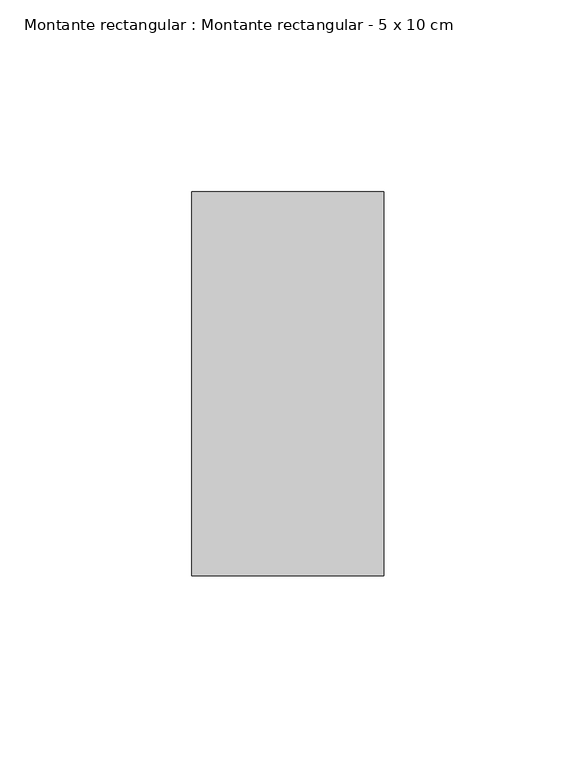
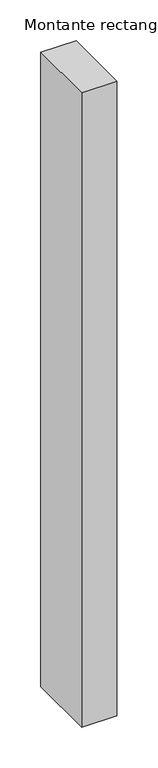
"""IFC4 building model written with IfcOpenShell, lengths in millimetres: member geometry, Montante rectangular : Montante rectangular - 5 x 10 cm."""

from ifc_helpers import new_model, si_unit, frame, origin, place, context, project, spatial, polyline, outline, extrude, source, transform, mapped, element, save


def montante_rectangular_montante_rectangular_5_x_10_cm_19b48848(model_context):
    return source(origin(), model_context, "Body", "SweptSolid", [
        extrude(outline(polyline([(0.0, 50.0), (0.0, -50.0), (-50.0, -50.0), (-50.0, 50.0), (0.0, 50.0)])), frame((0.0, 0.0, -950.0), z_axis=(0.0, 0.0, 1.0), x_axis=(1.0, 0.0, 0.0)), (0.0, 0.0, 1.0), 950.0),
    ])


if __name__ == "__main__":
    model = new_model("IFC4")
    model_context = context("Model", 3, world=origin())
    ifc_project = project(units=[si_unit("LENGTHUNIT", "METRE", prefix="MILLI")], contexts=[model_context])
    site = spatial("IfcSite", under=ifc_project)
    building = spatial("IfcBuilding", under=site)
    placement = place(None, origin())
    montante_rectangular_montante_rectangular_5_x_10_cm_shape = montante_rectangular_montante_rectangular_5_x_10_cm_19b48848(model_context)
    element("IfcMember", 1, ObjectType="Montante rectangular : Montante rectangular - 5 x 10 cm", at=placement, inside=building, context=model_context, shape_type="MappedRepresentation", body=[
        mapped(montante_rectangular_montante_rectangular_5_x_10_cm_shape, transform((0.0, 0.0, 0.0), x_axis=(1.0, 0.0, 0.0), y_axis=(0.0, 1.0, 0.0), z_axis=(0.0, 0.0, 1.0))),
    ])
    save(model, "model.ifc")
